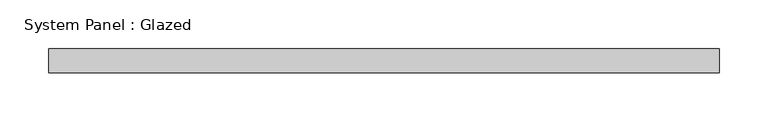
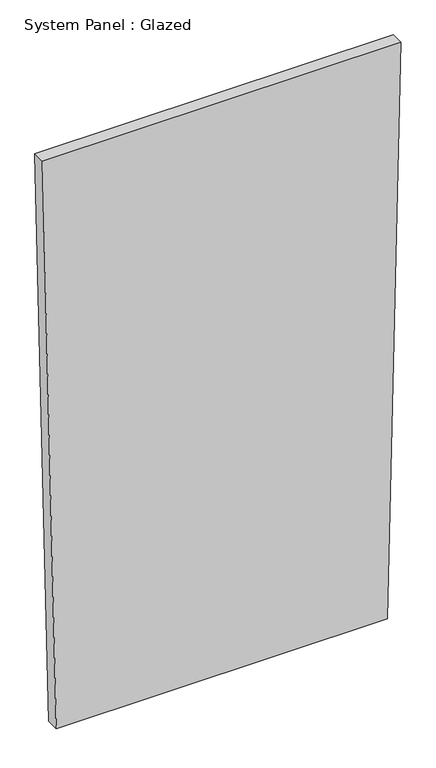
"""IFC4 building model written with IfcOpenShell, lengths in millimetres: plate geometry, System Panel : Glazed."""

from ifc_helpers import new_model, si_unit, frame, origin, place, context, project, spatial, polyline, outline, extrude, source, transform, mapped, element, save


def system_panel_glazed_7304958a(model_context):
    return source(origin(), model_context, "Body", "SweptSolid", [
        extrude(outline(polyline([(0.0, -318.8466224), (0.0, 318.8466245), (1163.8080295, 345.4242633), (1163.8080282, -345.4242633), (0.0, -318.8466224)])), frame((0.0, -49.5, 0.0), z_axis=(0.0, 1.0, 0.0), x_axis=(0.0, 0.0, 1.0)), (0.0, 0.0, 1.0), 25.0),
    ])


if __name__ == "__main__":
    model = new_model("IFC4")
    model_context = context("Model", 3, world=origin())
    ifc_project = project(units=[si_unit("LENGTHUNIT", "METRE", prefix="MILLI")], contexts=[model_context])
    site = spatial("IfcSite", under=ifc_project)
    building = spatial("IfcBuilding", under=site)
    placement = place(None, origin())
    system_panel_glazed_shape = system_panel_glazed_7304958a(model_context)
    element("IfcPlate", 1, ObjectType="System Panel : Glazed", at=placement, inside=building, context=model_context, shape_type="MappedRepresentation", body=[
        mapped(system_panel_glazed_shape, transform((0.0, 0.0, 0.0), x_axis=(1.0, 0.0, 0.0), y_axis=(0.0, 1.0, 0.0), z_axis=(0.0, 0.0, 1.0))),
    ])
    save(model, "model.ifc")
